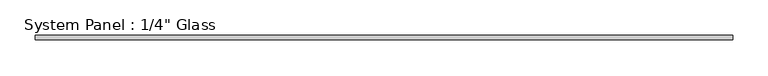
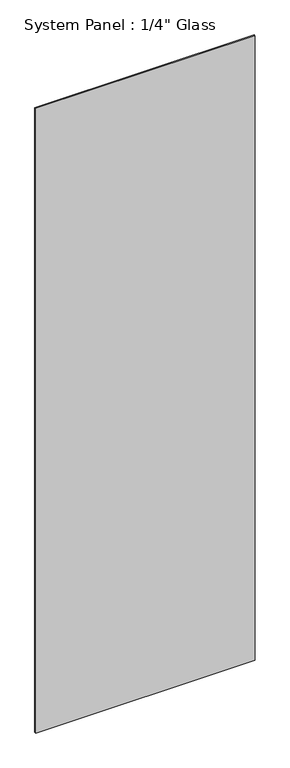
"""IFC4 building model written with IfcOpenShell, lengths in millimetres: plate geometry."""

from ifc_helpers import new_model, si_unit, origin, origin_with_axes, place, context, project, spatial, polyline, outline, extrude, source, transform, mapped, element, save


def plate_b05f7d44(model_context):
    return source(origin(), model_context, "Body", "SweptSolid", [
        extrude(outline(polyline([(492.125, -3.175), (-492.125, -3.175), (-492.125, 3.175), (492.125, 3.175), (492.125, -3.175)])), origin_with_axes(), (0.0, 0.0, 1.0), 2959.1),
    ])


if __name__ == "__main__":
    model = new_model("IFC4")
    model_context = context("Model", 3, world=origin())
    ifc_project = project(units=[si_unit("LENGTHUNIT", "METRE", prefix="MILLI")], contexts=[model_context])
    site = spatial("IfcSite", under=ifc_project)
    building = spatial("IfcBuilding", under=site)
    placement = place(None, origin())
    plate_shape = plate_b05f7d44(model_context)
    element("IfcPlate", 1, ObjectType="System Panel : 1/4\" Glass", at=placement, inside=building, context=model_context, shape_type="MappedRepresentation", body=[
        mapped(plate_shape, transform((0.0, 0.0, 0.0), x_axis=(1.0, 0.0, 0.0), y_axis=(0.0, 1.0, 0.0), z_axis=(0.0, 0.0, 1.0))),
    ])
    save(model, "model.ifc")
